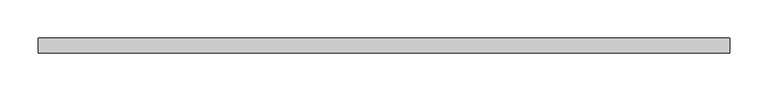
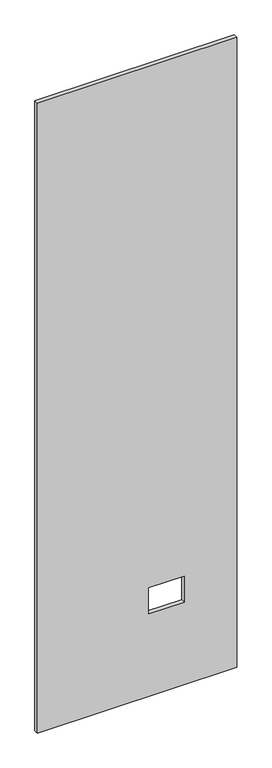
"""IFC4 building model written with IfcOpenShell, lengths in millimetres: proxy geometry."""

from ifc_helpers import new_model, si_unit, frame, origin, place, context, project, spatial, polyline, outline, extrude, source, transform, mapped, element, save


def specialty_equipment_940da200(model_context):
    return source(origin(), model_context, "Body", "SweptSolid", [
        extrude(outline(polyline([(2999.5368001, 448.9044872), (2999.5368001, -448.9044872), (3.175, -448.9044872), (3.175, 448.9044872), (2999.5368001, 448.9044872)]), holes=[polyline([(518.9474, 211.8868), (395.4526, 211.8868), (395.4526, 51.3588), (518.9474, 51.3588), (518.9474, 211.8868)])]), frame((0.0, -9.525, 0.0), z_axis=(0.0, 1.0, 0.0), x_axis=(0.0, 0.0, 1.0)), (0.0, 0.0, 1.0), 19.05),
    ])


if __name__ == "__main__":
    model = new_model("IFC4")
    model_context = context("Model", 3, world=origin())
    ifc_project = project(units=[si_unit("LENGTHUNIT", "METRE", prefix="MILLI")], contexts=[model_context])
    site = spatial("IfcSite", under=ifc_project)
    building = spatial("IfcBuilding", under=site)
    placement = place(None, origin())
    specialty_equipment_shape = specialty_equipment_940da200(model_context)
    element("IfcBuildingElementProxy", 1, Name="Specialty Equipment", at=placement, inside=building, context=model_context, shape_type="MappedRepresentation", body=[
        mapped(specialty_equipment_shape, transform((0.0, 0.0, 0.0), x_axis=(1.0, 0.0, 0.0), y_axis=(0.0, 1.0, 0.0), z_axis=(0.0, 0.0, 1.0))),
    ])
    save(model, "model.ifc")
